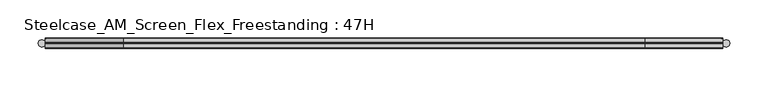
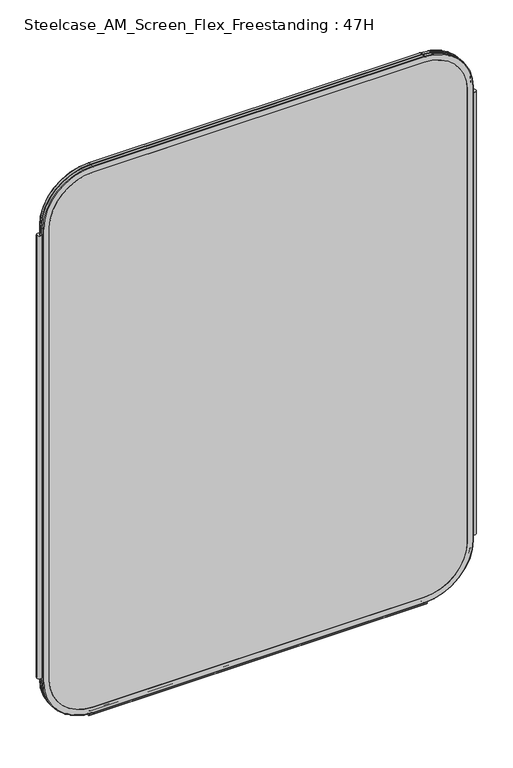
"""IFC4 building model written with IfcOpenShell, lengths in millimetres: furniture geometry, Steelcase_AM_Screen_Flex_Freestanding : 47H."""

from ifc_helpers import new_model, si_unit, point, frame, frame_2d, origin, place, context, project, spatial, polyline, circle_curve, ellipse_curve, trimmed, segment, composite_curve, outline, extrude, source, transform, mapped, element, save
from ifc_brep_helpers import plane_surface, cylinder_surface, revolved_surface, advanced_brep


def steelcase_am_screen_flex_freestanding_47h_c3e81d6d(model_context):
    return source(origin(), model_context, "Body", "SolidModel", [
        extrude(outline(composite_curve([segment(trimmed(circle_curve(frame_2d((4.5307839, 0.0)), 4.572), [point((-0.0412161, 0.0))], [point((9.1027839, 0.0))], False, "CARTESIAN"), True, "CONTINUOUS"), segment(trimmed(circle_curve(frame_2d((4.5307839, 0.0)), 4.572), [point((9.1027839, 0.0))], [point((-0.0412161, 0.0))], False, "CARTESIAN"), True, "CONTINUOUS")], self_intersect=False)), frame((0.0, 0.0, 115.57), z_axis=(0.0, 0.0, 1.0), x_axis=(1.0, 0.0, 0.0)), (0.0, 0.0, 1.0), 962.66),
        extrude(outline(composite_curve([segment(trimmed(circle_curve(frame_2d((898.7749587, 0.0)), 4.572), [point((894.2029587, 0.0))], [point((903.3469587, 0.0))], False, "CARTESIAN"), True, "CONTINUOUS"), segment(trimmed(circle_curve(frame_2d((898.7749587, 0.0)), 4.572), [point((903.3469587, 0.0))], [point((894.2029587, 0.0))], False, "CARTESIAN"), True, "CONTINUOUS")], self_intersect=False)), frame((0.0, 0.0, 115.57), z_axis=(0.0, 0.0, 1.0), x_axis=(1.0, 0.0, 0.0)), (0.0, 0.0, 1.0), 962.66),
        extrude(outline(composite_curve([segment(trimmed(circle_curve(frame_2d((3.5, 2.4751953)), 2.5), [point((3.5, 4.9751953))], [point((1.4656663, 1.0220998))], False, "CARTESIAN"), True, "CONTINUOUS"), segment(trimmed(circle_curve(frame_2d((0.0, -0.0248047)), 1.8011626), [point((1.4656663, 1.0220998))], [point((-1.4656663, 1.0220998))], True, "CARTESIAN"), True, "CONTINUOUS"), segment(trimmed(circle_curve(frame_2d((-3.5, 2.4751953)), 2.5), [point((-1.4656663, 1.0220998))], [point((-3.5, 4.9751953))], False, "CARTESIAN"), True, "CONTINUOUS"), segment(trimmed(circle_curve(frame_2d((-3.5, 4.4751953)), 0.5), [point((-3.5, 4.9751953))], [point((-3.5, 3.9751953))], False, "CARTESIAN"), True, "CONTINUOUS"), segment(trimmed(circle_curve(frame_2d((-3.5, 2.4751953)), 1.5), [point((-3.5, 3.9751953))], [point((-2.3025096, 1.5718589))], True, "CARTESIAN"), True, "CONTINUOUS"), segment(trimmed(circle_curve(frame_2d((-10.3325937, 7.629417)), 10.0586411), [point((-2.3025096, 1.5718589))], [point((-0.714976, 4.6836248))], True, "CARTESIAN"), True, "CONTINUOUS"), segment(trimmed(circle_curve(frame_2d((0.0, 4.4646339)), 0.7477618), [point((-0.714976, 4.6836248))], [point((0.714976, 4.6836248))], False, "CARTESIAN"), True, "CONTINUOUS"), segment(trimmed(circle_curve(frame_2d((10.3325937, 7.629417)), 10.0586411), [point((0.714976, 4.6836248))], [point((2.3025096, 1.5718589))], True, "CARTESIAN"), True, "CONTINUOUS"), segment(trimmed(circle_curve(frame_2d((3.5, 2.4751953)), 1.5), [point((2.3025096, 1.5718589))], [point((3.5, 3.9751953))], True, "CARTESIAN"), True, "CONTINUOUS"), segment(trimmed(circle_curve(frame_2d((3.5, 4.4751953)), 0.5), [point((3.5, 3.9751953))], [point((3.5, 4.9751953))], False, "CARTESIAN"), True, "CONTINUOUS")], self_intersect=False)), frame((104.1640108, 0.0, 0.0), z_axis=(1.0, 0.0, 0.0), x_axis=(0.0, 1.0, 0.0)), (0.0, 0.0, 1.0), 694.9777209),
        advanced_brep(
        [(9.9273521, 0.0, 1092.2), (9.9273521, 0.0, 106.5996464), (110.7653521, 0.0, 5.7616464), (792.5652086, 0.0, 5.7616464), (893.4032086, 0.0, 106.5996464), (893.4032086, 0.0, 1092.2), (792.5652086, 0.0, 1193.038), (110.7653521, 0.0, 1193.038), (792.5652086, 0.0, 17.6996464), (110.7653521, 0.0, 17.6996464), (21.8653521, 0.0, 106.5996464), (21.8653521, 0.0, 1092.2), (110.7653521, 0.0, 1181.1), (792.5652086, 0.0, 1181.1), (881.4652086, 0.0, 1092.2), (881.4652086, 0.0, 106.5996464), (110.7653521, 0.762, 1193.8), (9.1653521, 0.762, 1092.2), (110.7653521, 6.096, 1193.8), (9.1653521, 6.096, 1092.2), (110.7653521, 6.858, 1193.038), (9.9273521, 6.858, 1092.2), (21.8653521, 6.858, 1092.2), (110.7653521, 6.858, 1181.1), (792.5652086, 0.762, 1193.8), (792.5652086, 6.096, 1193.8), (792.5652086, 6.858, 1193.038), (792.5652086, 6.858, 1181.1), (894.1652086, 0.762, 1092.2), (894.1652086, 6.096, 1092.2), (893.4032086, 6.858, 1092.2), (881.4652086, 6.858, 1092.2), (894.1652086, 0.762, 106.5996464), (894.1652086, 6.096, 106.5996464), (893.4032086, 6.858, 106.5996464), (881.4652086, 6.858, 106.5996464), (792.5652086, 0.762, 4.9996464), (792.5652086, 6.096, 4.9996464), (792.5652086, 6.858, 5.7616464), (792.5652086, 6.858, 17.6996464), (110.7653521, 0.762, 4.9996464), (110.7653521, 6.096, 4.9996464), (110.7653521, 6.858, 5.7616464), (110.7653521, 6.858, 17.6996464), (9.1653521, 0.762, 106.5996464), (9.1653521, 6.096, 106.5996464), (9.9273521, 6.858, 106.5996464), (21.8653521, 6.858, 106.5996464)],
        [
            (0, 1),
            (1, 2, circle_curve(frame((110.7653521, 0.0, 106.5996464), z_axis=(0.0, -1.0, 0.0), x_axis=(0.0, 0.0, -1.0)), 100.838)),
            (2, 3),
            (3, 4, circle_curve(frame((792.5652086, 0.0, 106.5996464), z_axis=(0.0, -1.0, 0.0), x_axis=(1.0, 0.0, 0.0)), 100.838)),
            (4, 5),
            (5, 6, circle_curve(frame((792.5652086, 0.0, 1092.2), z_axis=(0.0, -1.0, 0.0), x_axis=(0.0, 0.0, 1.0)), 100.838)),
            (6, 7),
            (7, 0, circle_curve(frame((110.7653521, 0.0, 1092.2), z_axis=(0.0, -1.0, 0.0), x_axis=(-1.0, 0.0, 0.0)), 100.838)),
            (8, 9),
            (9, 10, circle_curve(frame((110.7653521, 0.0, 106.5996464), z_axis=(0.0, 1.0, 0.0), x_axis=(0.0, 0.0, -1.0)), 88.9)),
            (10, 11),
            (11, 12, circle_curve(frame((110.7653521, 0.0, 1092.2), z_axis=(0.0, 1.0, 0.0), x_axis=(-1.0, 0.0, 0.0)), 88.9)),
            (12, 13),
            (13, 14, circle_curve(frame((792.5652086, 0.0, 1092.2), z_axis=(0.0, 1.0, 0.0), x_axis=(0.0, 0.0, 1.0)), 88.9)),
            (14, 15),
            (15, 8, circle_curve(frame((792.5652086, 0.0, 106.5996464), z_axis=(0.0, 1.0, 0.0), x_axis=(1.0, 0.0, 0.0)), 88.9)),
            (16, 17, circle_curve(frame((110.7653521, 0.762, 1092.2), z_axis=(0.0, -1.0, 0.0), x_axis=(-1.0, 0.0, 0.0)), 101.6)),
            (17, 0, circle_curve(frame((9.9273521, 0.762, 1092.2), z_axis=(0.0, 0.0, 1.0), x_axis=(-1.0, 0.0, 0.0)), 0.762)),
            (7, 16, circle_curve(frame((110.7653521, 0.762, 1193.038), z_axis=(-1.0, 0.0, 0.0), x_axis=(0.0, 0.0, 1.0)), 0.762)),
            (18, 19, circle_curve(frame((110.7653521, 6.096, 1092.2), z_axis=(0.0, -1.0, 0.0), x_axis=(-1.0, 0.0, 0.0)), 101.6)),
            (19, 17),
            (16, 18),
            (20, 21, circle_curve(frame((110.7653521, 6.858, 1092.2), z_axis=(0.0, -1.0, 0.0), x_axis=(-1.0, 0.0, 0.0)), 100.838)),
            (21, 19, circle_curve(frame((9.9273521, 6.096, 1092.2), z_axis=(0.0, 0.0, 1.0), x_axis=(-1.0, 0.0, 0.0)), 0.762)),
            (18, 20, circle_curve(frame((110.7653521, 6.096, 1193.038), z_axis=(-1.0, 0.0, 0.0), x_axis=(0.0, 0.0, 1.0)), 0.762)),
            (11, 22),
            (22, 23, circle_curve(frame((110.7653521, 6.858, 1092.2), z_axis=(0.0, 1.0, 0.0), x_axis=(-1.0, 0.0, 0.0)), 88.9)),
            (23, 12),
            (6, 24, circle_curve(frame((792.5652086, 0.762, 1193.038), z_axis=(-1.0, 0.0, 0.0), x_axis=(0.0, 0.0, 1.0)), 0.762)),
            (24, 16),
            (24, 25),
            (25, 18),
            (25, 26, circle_curve(frame((792.5652086, 6.096, 1193.038), z_axis=(-1.0, 0.0, 0.0), x_axis=(0.0, 0.0, 1.0)), 0.762)),
            (26, 20),
            (23, 27),
            (27, 13),
            (28, 24, circle_curve(frame((792.5652086, 0.762, 1092.2), z_axis=(0.0, -1.0, 0.0), x_axis=(0.0, 0.0, 1.0)), 101.6)),
            (5, 28, circle_curve(frame((893.4032086, 0.762, 1092.2), z_axis=(0.0, 0.0, 1.0), x_axis=(1.0, 0.0, 0.0)), 0.762)),
            (29, 25, circle_curve(frame((792.5652086, 6.096, 1092.2), z_axis=(0.0, -1.0, 0.0), x_axis=(0.0, 0.0, 1.0)), 101.6)),
            (28, 29),
            (30, 26, circle_curve(frame((792.5652086, 6.858, 1092.2), z_axis=(0.0, -1.0, 0.0), x_axis=(0.0, 0.0, 1.0)), 100.838)),
            (29, 30, circle_curve(frame((893.4032086, 6.096, 1092.2), z_axis=(0.0, 0.0, 1.0), x_axis=(1.0, 0.0, 0.0)), 0.762)),
            (27, 31, circle_curve(frame((792.5652086, 6.858, 1092.2), z_axis=(0.0, 1.0, 0.0), x_axis=(0.0, 0.0, 1.0)), 88.9)),
            (31, 14),
            (4, 32, circle_curve(frame((893.4032086, 0.762, 106.5996464), z_axis=(0.0, 0.0, 1.0), x_axis=(1.0, 0.0, 0.0)), 0.762)),
            (32, 28),
            (32, 33),
            (33, 29),
            (33, 34, circle_curve(frame((893.4032086, 6.096, 106.5996464), z_axis=(0.0, 0.0, 1.0), x_axis=(1.0, 0.0, 0.0)), 0.762)),
            (34, 30),
            (31, 35),
            (35, 15),
            (36, 32, circle_curve(frame((792.5652086, 0.762, 106.5996464), z_axis=(0.0, -1.0, 0.0), x_axis=(1.0, 0.0, 0.0)), 101.6)),
            (3, 36, circle_curve(frame((792.5652086, 0.762, 5.7616464), z_axis=(1.0, 0.0, 0.0), x_axis=(0.0, 0.0, -1.0)), 0.762)),
            (37, 33, circle_curve(frame((792.5652086, 6.096, 106.5996464), z_axis=(0.0, -1.0, 0.0), x_axis=(1.0, 0.0, 0.0)), 101.6)),
            (36, 37),
            (38, 34, circle_curve(frame((792.5652086, 6.858, 106.5996464), z_axis=(0.0, -1.0, 0.0), x_axis=(1.0, 0.0, 0.0)), 100.838)),
            (37, 38, circle_curve(frame((792.5652086, 6.096, 5.7616464), z_axis=(1.0, 0.0, 0.0), x_axis=(0.0, 0.0, -1.0)), 0.762)),
            (35, 39, circle_curve(frame((792.5652086, 6.858, 106.5996464), z_axis=(0.0, 1.0, 0.0), x_axis=(1.0, 0.0, 0.0)), 88.9)),
            (39, 8),
            (2, 40, circle_curve(frame((110.7653521, 0.762, 5.7616464), z_axis=(1.0, 0.0, 0.0), x_axis=(0.0, 0.0, -1.0)), 0.762)),
            (40, 36),
            (40, 41),
            (41, 37),
            (41, 42, circle_curve(frame((110.7653521, 6.096, 5.7616464), z_axis=(1.0, 0.0, 0.0), x_axis=(0.0, 0.0, -1.0)), 0.762)),
            (42, 38),
            (39, 43),
            (43, 9),
            (44, 40, circle_curve(frame((110.7653521, 0.762, 106.5996464), z_axis=(0.0, -1.0, 0.0), x_axis=(0.0, 0.0, -1.0)), 101.6)),
            (1, 44, circle_curve(frame((9.9273521, 0.762, 106.5996464), z_axis=(0.0, 0.0, -1.0), x_axis=(-1.0, 0.0, 0.0)), 0.762)),
            (45, 41, circle_curve(frame((110.7653521, 6.096, 106.5996464), z_axis=(0.0, -1.0, 0.0), x_axis=(0.0, 0.0, -1.0)), 101.6)),
            (44, 45),
            (46, 42, circle_curve(frame((110.7653521, 6.858, 106.5996464), z_axis=(0.0, -1.0, 0.0), x_axis=(0.0, 0.0, -1.0)), 100.838)),
            (45, 46, circle_curve(frame((9.9273521, 6.096, 106.5996464), z_axis=(0.0, 0.0, -1.0), x_axis=(-1.0, 0.0, 0.0)), 0.762)),
            (43, 47, circle_curve(frame((110.7653521, 6.858, 106.5996464), z_axis=(0.0, 1.0, 0.0), x_axis=(0.0, 0.0, -1.0)), 88.9)),
            (47, 10),
            (17, 44),
            (19, 45),
            (21, 46),
            (22, 47),
        ],
        [
            plane_surface(frame((21.8653521, 0.0, 106.5996464), z_axis=(0.0, -1.0, 0.0), x_axis=(0.0, 0.0, 1.0))),
            revolved_surface(trimmed(ellipse_curve(frame((9.9273521, 0.762, 1092.2), z_axis=(0.0, 0.0, -1.0), x_axis=(-1.0, 0.0, 0.0)), 0.762, 0.762), [point((9.9273521, 0.0, 1092.2))], [point((9.1653521, 0.762, 1092.2))], True, "CARTESIAN"), (110.7653521, 0.0, 1092.2), (0.0, 1.0, 0.0)),
            cylinder_surface(frame((110.7653521, 0.0, 1092.2), z_axis=(0.0, 1.0, 0.0), x_axis=(-1.0, 0.0, 0.0)), 101.6),
            revolved_surface(trimmed(ellipse_curve(frame((9.9273521, 6.096, 1092.2), z_axis=(0.0, 0.0, -1.0), x_axis=(-1.0, 0.0, 0.0)), 0.762, 0.762), [point((9.1653521, 6.096, 1092.2))], [point((9.9273521, 6.858, 1092.2))], True, "CARTESIAN"), (110.7653521, 0.0, 1092.2), (0.0, 1.0, 0.0)),
            revolved_surface(polyline([(21.865352099999996, 6.858, 1092.2), (21.865352099999996, 0.0, 1092.2)]), (110.7653521, 0.0, 1092.2), (0.0, 1.0, 0.0)),
            cylinder_surface(frame((110.7653521, 0.762, 1193.038), z_axis=(-1.0, 0.0, 0.0), x_axis=(0.0, 0.0, 1.0)), 0.762),
            plane_surface(frame((110.7653521, 0.762, 1193.8), z_axis=(0.0, 0.0, 1.0), x_axis=(1.0, 0.0, 0.0))),
            cylinder_surface(frame((110.7653521, 6.096, 1193.038), z_axis=(-1.0, 0.0, 0.0), x_axis=(0.0, 0.0, 1.0)), 0.762),
            plane_surface(frame((110.7653521, 6.858, 1181.1), z_axis=(0.0, 0.0, -1.0), x_axis=(1.0, 0.0, 0.0))),
            revolved_surface(trimmed(ellipse_curve(frame((792.5652086, 0.762, 1193.038), z_axis=(-1.0, 0.0, 0.0), x_axis=(0.0, 0.0, 1.0)), 0.762, 0.762), [point((792.5652086, 0.0, 1193.038))], [point((792.5652086, 0.762, 1193.8))], True, "CARTESIAN"), (792.5652086, 0.0, 1092.2), (0.0, 1.0, 0.0)),
            cylinder_surface(frame((792.5652086, 0.0, 1092.2), z_axis=(0.0, 1.0, 0.0), x_axis=(0.0, 0.0, 1.0)), 101.6),
            revolved_surface(trimmed(ellipse_curve(frame((792.5652086, 6.096, 1193.038), z_axis=(-1.0, 0.0, 0.0), x_axis=(0.0, 0.0, 1.0)), 0.762, 0.762), [point((792.5652086, 6.096, 1193.8))], [point((792.5652086, 6.858, 1193.038))], True, "CARTESIAN"), (792.5652086, 0.0, 1092.2), (0.0, 1.0, 0.0)),
            revolved_surface(polyline([(792.5652086, 6.858, 1181.1000000000001), (792.5652086, 0.0, 1181.1000000000001)]), (792.5652086, 0.0, 1092.2), (0.0, 1.0, 0.0)),
            cylinder_surface(frame((893.4032086, 0.762, 1092.2), z_axis=(0.0, 0.0, 1.0), x_axis=(1.0, 0.0, 0.0)), 0.762),
            plane_surface(frame((894.1652086, 0.762, 1092.2), z_axis=(1.0, 0.0, 0.0), x_axis=(0.0, 0.0, -1.0))),
            cylinder_surface(frame((893.4032086, 6.096, 1092.2), z_axis=(0.0, 0.0, 1.0), x_axis=(1.0, 0.0, 0.0)), 0.762),
            plane_surface(frame((881.4652086, 6.858, 1092.2), z_axis=(-1.0, 0.0, 0.0), x_axis=(0.0, 0.0, -1.0))),
            revolved_surface(trimmed(ellipse_curve(frame((893.4032086, 0.762, 106.5996464), z_axis=(0.0, 0.0, 1.0), x_axis=(1.0, 0.0, 0.0)), 0.762, 0.762), [point((893.4032086, 0.0, 106.5996464))], [point((894.1652086, 0.762, 106.5996464))], True, "CARTESIAN"), (792.5652086, 0.0, 106.5996464), (0.0, 1.0, 0.0)),
            cylinder_surface(frame((792.5652086, 0.0, 106.5996464), z_axis=(0.0, 1.0, 0.0), x_axis=(1.0, 0.0, 0.0)), 101.6),
            revolved_surface(trimmed(ellipse_curve(frame((893.4032086, 6.096, 106.5996464), z_axis=(0.0, 0.0, 1.0), x_axis=(1.0, 0.0, 0.0)), 0.762, 0.762), [point((894.1652086, 6.096, 106.5996464))], [point((893.4032086, 6.858, 106.5996464))], True, "CARTESIAN"), (792.5652086, 0.0, 106.5996464), (0.0, 1.0, 0.0)),
            revolved_surface(polyline([(881.4652086, 6.858, 106.5996464), (881.4652086, 0.0, 106.5996464)]), (792.5652086, 0.0, 106.5996464), (0.0, 1.0, 0.0)),
            cylinder_surface(frame((792.5652086, 0.762, 5.7616464), z_axis=(1.0, 0.0, 0.0), x_axis=(0.0, 0.0, -1.0)), 0.762),
            plane_surface(frame((792.5652086, 0.762, 4.9996464), z_axis=(0.0, 0.0, -1.0), x_axis=(-1.0, 0.0, 0.0))),
            cylinder_surface(frame((792.5652086, 6.096, 5.7616464), z_axis=(1.0, 0.0, 0.0), x_axis=(0.0, 0.0, -1.0)), 0.762),
            plane_surface(frame((792.5652086, 6.858, 17.6996464), z_axis=(0.0, 0.0, 1.0), x_axis=(-1.0, 0.0, 0.0))),
            revolved_surface(trimmed(ellipse_curve(frame((110.7653521, 0.762, 5.7616464), z_axis=(1.0, 0.0, 0.0), x_axis=(0.0, 0.0, -1.0)), 0.762, 0.762), [point((110.7653521, 0.0, 5.7616464))], [point((110.7653521, 0.762, 4.9996464))], True, "CARTESIAN"), (110.7653521, 0.0, 106.5996464), (0.0, 1.0, 0.0)),
            cylinder_surface(frame((110.7653521, 0.0, 106.5996464), z_axis=(0.0, 1.0, 0.0), x_axis=(0.0, 0.0, -1.0)), 101.6),
            revolved_surface(trimmed(ellipse_curve(frame((110.7653521, 6.096, 5.7616464), z_axis=(1.0, 0.0, 0.0), x_axis=(0.0, 0.0, -1.0)), 0.762, 0.762), [point((110.7653521, 6.096, 4.9996464))], [point((110.7653521, 6.858, 5.7616464))], True, "CARTESIAN"), (110.7653521, 0.0, 106.5996464), (0.0, 1.0, 0.0)),
            revolved_surface(polyline([(110.7653521, 6.858, 17.699646399999992), (110.7653521, 0.0, 17.699646399999992)]), (110.7653521, 0.0, 106.5996464), (0.0, 1.0, 0.0)),
            cylinder_surface(frame((9.9273521, 0.762, 106.5996464), z_axis=(0.0, 0.0, -1.0), x_axis=(-1.0, 0.0, 0.0)), 0.762),
            plane_surface(frame((9.1653521, 0.762, 106.5996464), z_axis=(-1.0, 0.0, 0.0), x_axis=(0.0, 0.0, 1.0))),
            cylinder_surface(frame((9.9273521, 6.096, 106.5996464), z_axis=(0.0, 0.0, -1.0), x_axis=(-1.0, 0.0, 0.0)), 0.762),
            plane_surface(frame((9.9273521, 6.858, 106.5996464), z_axis=(0.0, 1.0, 0.0), x_axis=(0.0, 0.0, 1.0))),
            plane_surface(frame((21.8653521, 6.858, 106.5996464), z_axis=(1.0, 0.0, 0.0), x_axis=(0.0, 0.0, 1.0))),
        ],
        [
            (0, [[1, 2, 3, 4, 5, 6, 7, 8], [9, 10, 11, 12, 13, 14, 15, 16]]),
            (1, [[17, 18, -8, 19]]),
            (2, [[20, 21, -17, 22]]),
            (3, [[23, 24, -20, 25]]),
            (4, [[-12, 26, 27, 28]]),
            (5, [[-19, -7, 29, 30]]),
            (6, [[-22, -30, 31, 32]]),
            (7, [[-25, -32, 33, 34]]),
            (8, [[-28, 35, 36, -13]]),
            (9, [[37, -29, -6, 38]]),
            (10, [[39, -31, -37, 40]]),
            (11, [[41, -33, -39, 42]]),
            (12, [[-14, -36, 43, 44]]),
            (13, [[-38, -5, 45, 46]]),
            (14, [[-40, -46, 47, 48]]),
            (15, [[-42, -48, 49, 50]]),
            (16, [[-44, 51, 52, -15]]),
            (17, [[53, -45, -4, 54]]),
            (18, [[55, -47, -53, 56]]),
            (19, [[57, -49, -55, 58]]),
            (20, [[-16, -52, 59, 60]]),
            (21, [[-54, -3, 61, 62]]),
            (22, [[-56, -62, 63, 64]]),
            (23, [[-58, -64, 65, 66]]),
            (24, [[-60, 67, 68, -9]]),
            (25, [[69, -61, -2, 70]]),
            (26, [[71, -63, -69, 72]]),
            (27, [[73, -65, -71, 74]]),
            (28, [[-10, -68, 75, 76]]),
            (29, [[-70, -1, -18, 77]]),
            (30, [[-72, -77, -21, 78]]),
            (31, [[-74, -78, -24, 79]]),
            (32, [[-66, -73, -79, -23, -34, -41, -50, -57], [80, -75, -67, -59, -51, -43, -35, -27]]),
            (33, [[-76, -80, -26, -11]]),
        ],
    ),
        extrude(outline(composite_curve([segment(polyline([(1181.1, 792.5652086), (1181.1, 110.7653521)]), True, "CONTINUOUS"), segment(trimmed(circle_curve(frame_2d((1092.2, 110.7653521)), 88.9), [point((1181.1, 110.7653521))], [point((1092.2, 21.8653521))], False, "CARTESIAN"), True, "CONTINUOUS"), segment(polyline([(1092.2, 21.8653521), (106.5996464, 21.8653521)]), True, "CONTINUOUS"), segment(trimmed(circle_curve(frame_2d((106.5996464, 110.7653521)), 88.9), [point((106.5996464, 21.8653521))], [point((17.6996464, 110.7653521))], False, "CARTESIAN"), True, "CONTINUOUS"), segment(polyline([(17.6996464, 110.7653521), (17.6996464, 792.5652086)]), True, "CONTINUOUS"), segment(trimmed(circle_curve(frame_2d((106.5996464, 792.5652086)), 88.9), [point((17.6996464, 792.5652086))], [point((106.5996464, 881.4652086))], False, "CARTESIAN"), True, "CONTINUOUS"), segment(polyline([(106.5996464, 881.4652086), (1092.2, 881.4652086)]), True, "CONTINUOUS"), segment(trimmed(circle_curve(frame_2d((1092.2, 792.5652086)), 88.9), [point((1092.2, 881.4652086))], [point((1181.1, 792.5652086))], False, "CARTESIAN"), True, "CONTINUOUS")], self_intersect=False)), frame((0.0, 0.0, 0.0), z_axis=(0.0, 1.0, 0.0), x_axis=(0.0, 0.0, 1.0)), (0.0, 0.0, 1.0), 6.858),
        advanced_brep(
        [(110.7653521, -6.858, 1181.1), (21.8653521, -6.858, 1092.2), (21.8653521, 0.0, 1092.2), (110.7653521, 0.0, 1181.1), (110.7653521, -6.096, 1193.8), (9.1653521, -6.096, 1092.2), (9.9273521, -6.858, 1092.2), (110.7653521, -6.858, 1193.038), (110.7653521, -0.762, 1193.8), (9.1653521, -0.762, 1092.2), (110.7653521, 0.0, 1193.038), (9.9273521, 0.0, 1092.2), (792.5652086, 0.0, 1181.1), (792.5652086, -6.858, 1181.1), (792.5652086, -6.858, 1193.038), (792.5652086, -6.096, 1193.8), (792.5652086, -0.762, 1193.8), (792.5652086, 0.0, 1193.038), (881.4652086, -6.858, 1092.2), (881.4652086, 0.0, 1092.2), (894.1652086, -6.096, 1092.2), (893.4032086, -6.858, 1092.2), (894.1652086, -0.762, 1092.2), (893.4032086, 0.0, 1092.2), (881.4652086, 0.0, 106.5996464), (881.4652086, -6.858, 106.5996464), (893.4032086, -6.858, 106.5996464), (894.1652086, -6.096, 106.5996464), (894.1652086, -0.762, 106.5996464), (893.4032086, 0.0, 106.5996464), (792.5652086, -6.858, 17.6996464), (792.5652086, 0.0, 17.6996464), (792.5652086, -6.096, 4.9996464), (792.5652086, -6.858, 5.7616464), (792.5652086, -0.762, 4.9996464), (792.5652086, 0.0, 5.7616464), (110.7653521, 0.0, 17.6996464), (110.7653521, -6.858, 17.6996464), (110.7653521, -6.858, 5.7616464), (110.7653521, -6.096, 4.9996464), (110.7653521, -0.762, 4.9996464), (110.7653521, 0.0, 5.7616464), (21.8653521, -6.858, 106.5996464), (21.8653521, 0.0, 106.5996464), (9.1653521, -6.096, 106.5996464), (9.9273521, -6.858, 106.5996464), (9.1653521, -0.762, 106.5996464), (9.9273521, 0.0, 106.5996464)],
        [
            (0, 1, circle_curve(frame((110.7653521, -6.858, 1092.2), z_axis=(0.0, -1.0, 0.0), x_axis=(-1.0, 0.0, 0.0)), 88.9)),
            (1, 2),
            (2, 3, circle_curve(frame((110.7653521, 0.0, 1092.2), z_axis=(0.0, 1.0, 0.0), x_axis=(-1.0, 0.0, 0.0)), 88.9)),
            (3, 0),
            (4, 5, circle_curve(frame((110.7653521, -6.096, 1092.2), z_axis=(0.0, -1.0, 0.0), x_axis=(-1.0, 0.0, 0.0)), 101.6)),
            (5, 6, circle_curve(frame((9.9273521, -6.096, 1092.2), z_axis=(0.0, 0.0, 1.0), x_axis=(-1.0, 0.0, 0.0)), 0.762)),
            (6, 7, circle_curve(frame((110.7653521, -6.858, 1092.2), z_axis=(0.0, 1.0, 0.0), x_axis=(-1.0, 0.0, 0.0)), 100.838)),
            (7, 4, circle_curve(frame((110.7653521, -6.096, 1193.038), z_axis=(-1.0, 0.0, 0.0), x_axis=(0.0, 0.0, 1.0)), 0.762)),
            (8, 9, circle_curve(frame((110.7653521, -0.762, 1092.2), z_axis=(0.0, -1.0, 0.0), x_axis=(-1.0, 0.0, 0.0)), 101.6)),
            (9, 5),
            (4, 8),
            (10, 11, circle_curve(frame((110.7653521, 0.0, 1092.2), z_axis=(0.0, -1.0, 0.0), x_axis=(-1.0, 0.0, 0.0)), 100.838)),
            (11, 9, circle_curve(frame((9.9273521, -0.762, 1092.2), z_axis=(0.0, 0.0, 1.0), x_axis=(-1.0, 0.0, 0.0)), 0.762)),
            (8, 10, circle_curve(frame((110.7653521, -0.762, 1193.038), z_axis=(-1.0, 0.0, 0.0), x_axis=(0.0, 0.0, 1.0)), 0.762)),
            (3, 12),
            (12, 13),
            (13, 0),
            (7, 14),
            (14, 15, circle_curve(frame((792.5652086, -6.096, 1193.038), z_axis=(-1.0, 0.0, 0.0), x_axis=(0.0, 0.0, 1.0)), 0.762)),
            (15, 4),
            (15, 16),
            (16, 8),
            (16, 17, circle_curve(frame((792.5652086, -0.762, 1193.038), z_axis=(-1.0, 0.0, 0.0), x_axis=(0.0, 0.0, 1.0)), 0.762)),
            (17, 10),
            (18, 13, circle_curve(frame((792.5652086, -6.858, 1092.2), z_axis=(0.0, -1.0, 0.0), x_axis=(0.0, 0.0, 1.0)), 88.9)),
            (12, 19, circle_curve(frame((792.5652086, 0.0, 1092.2), z_axis=(0.0, 1.0, 0.0), x_axis=(0.0, 0.0, 1.0)), 88.9)),
            (19, 18),
            (20, 15, circle_curve(frame((792.5652086, -6.096, 1092.2), z_axis=(0.0, -1.0, 0.0), x_axis=(0.0, 0.0, 1.0)), 101.6)),
            (14, 21, circle_curve(frame((792.5652086, -6.858, 1092.2), z_axis=(0.0, 1.0, 0.0), x_axis=(0.0, 0.0, 1.0)), 100.838)),
            (21, 20, circle_curve(frame((893.4032086, -6.096, 1092.2), z_axis=(0.0, 0.0, 1.0), x_axis=(1.0, 0.0, 0.0)), 0.762)),
            (22, 16, circle_curve(frame((792.5652086, -0.762, 1092.2), z_axis=(0.0, -1.0, 0.0), x_axis=(0.0, 0.0, 1.0)), 101.6)),
            (20, 22),
            (23, 17, circle_curve(frame((792.5652086, 0.0, 1092.2), z_axis=(0.0, -1.0, 0.0), x_axis=(0.0, 0.0, 1.0)), 100.838)),
            (22, 23, circle_curve(frame((893.4032086, -0.762, 1092.2), z_axis=(0.0, 0.0, 1.0), x_axis=(1.0, 0.0, 0.0)), 0.762)),
            (19, 24),
            (24, 25),
            (25, 18),
            (21, 26),
            (26, 27, circle_curve(frame((893.4032086, -6.096, 106.5996464), z_axis=(0.0, 0.0, 1.0), x_axis=(1.0, 0.0, 0.0)), 0.762)),
            (27, 20),
            (27, 28),
            (28, 22),
            (28, 29, circle_curve(frame((893.4032086, -0.762, 106.5996464), z_axis=(0.0, 0.0, 1.0), x_axis=(1.0, 0.0, 0.0)), 0.762)),
            (29, 23),
            (30, 25, circle_curve(frame((792.5652086, -6.858, 106.5996464), z_axis=(0.0, -1.0, 0.0), x_axis=(1.0, 0.0, 0.0)), 88.9)),
            (24, 31, circle_curve(frame((792.5652086, 0.0, 106.5996464), z_axis=(0.0, 1.0, 0.0), x_axis=(1.0, 0.0, 0.0)), 88.9)),
            (31, 30),
            (32, 27, circle_curve(frame((792.5652086, -6.096, 106.5996464), z_axis=(0.0, -1.0, 0.0), x_axis=(1.0, 0.0, 0.0)), 101.6)),
            (26, 33, circle_curve(frame((792.5652086, -6.858, 106.5996464), z_axis=(0.0, 1.0, 0.0), x_axis=(1.0, 0.0, 0.0)), 100.838)),
            (33, 32, circle_curve(frame((792.5652086, -6.096, 5.7616464), z_axis=(1.0, 0.0, 0.0), x_axis=(0.0, 0.0, -1.0)), 0.762)),
            (34, 28, circle_curve(frame((792.5652086, -0.762, 106.5996464), z_axis=(0.0, -1.0, 0.0), x_axis=(1.0, 0.0, 0.0)), 101.6)),
            (32, 34),
            (35, 29, circle_curve(frame((792.5652086, 0.0, 106.5996464), z_axis=(0.0, -1.0, 0.0), x_axis=(1.0, 0.0, 0.0)), 100.838)),
            (34, 35, circle_curve(frame((792.5652086, -0.762, 5.7616464), z_axis=(1.0, 0.0, 0.0), x_axis=(0.0, 0.0, -1.0)), 0.762)),
            (31, 36),
            (36, 37),
            (37, 30),
            (33, 38),
            (38, 39, circle_curve(frame((110.7653521, -6.096, 5.7616464), z_axis=(1.0, 0.0, 0.0), x_axis=(0.0, 0.0, -1.0)), 0.762)),
            (39, 32),
            (39, 40),
            (40, 34),
            (40, 41, circle_curve(frame((110.7653521, -0.762, 5.7616464), z_axis=(1.0, 0.0, 0.0), x_axis=(0.0, 0.0, -1.0)), 0.762)),
            (41, 35),
            (42, 37, circle_curve(frame((110.7653521, -6.858, 106.5996464), z_axis=(0.0, -1.0, 0.0), x_axis=(0.0, 0.0, -1.0)), 88.9)),
            (36, 43, circle_curve(frame((110.7653521, 0.0, 106.5996464), z_axis=(0.0, 1.0, 0.0), x_axis=(0.0, 0.0, -1.0)), 88.9)),
            (43, 42),
            (44, 39, circle_curve(frame((110.7653521, -6.096, 106.5996464), z_axis=(0.0, -1.0, 0.0), x_axis=(0.0, 0.0, -1.0)), 101.6)),
            (38, 45, circle_curve(frame((110.7653521, -6.858, 106.5996464), z_axis=(0.0, 1.0, 0.0), x_axis=(0.0, 0.0, -1.0)), 100.838)),
            (45, 44, circle_curve(frame((9.9273521, -6.096, 106.5996464), z_axis=(0.0, 0.0, -1.0), x_axis=(-1.0, 0.0, 0.0)), 0.762)),
            (46, 40, circle_curve(frame((110.7653521, -0.762, 106.5996464), z_axis=(0.0, -1.0, 0.0), x_axis=(0.0, 0.0, -1.0)), 101.6)),
            (44, 46),
            (47, 41, circle_curve(frame((110.7653521, 0.0, 106.5996464), z_axis=(0.0, -1.0, 0.0), x_axis=(0.0, 0.0, -1.0)), 100.838)),
            (46, 47, circle_curve(frame((9.9273521, -0.762, 106.5996464), z_axis=(0.0, 0.0, -1.0), x_axis=(-1.0, 0.0, 0.0)), 0.762)),
            (43, 2),
            (1, 42),
            (6, 45),
            (5, 44),
            (9, 46),
            (11, 47),
        ],
        [
            revolved_surface(polyline([(21.865352099999996, 0.0, 1092.2), (21.865352099999996, -6.858, 1092.2)]), (110.7653521, 0.0, 1092.2), (0.0, 1.0, 0.0)),
            revolved_surface(trimmed(ellipse_curve(frame((9.9273521, -6.096, 1092.2), z_axis=(0.0, 0.0, -1.0), x_axis=(-1.0, 0.0, 0.0)), 0.762, 0.762), [point((9.9273521, -6.858, 1092.2))], [point((9.1653521, -6.096, 1092.2))], True, "CARTESIAN"), (110.7653521, 0.0, 1092.2), (0.0, 1.0, 0.0)),
            cylinder_surface(frame((110.7653521, 0.0, 1092.2), z_axis=(0.0, 1.0, 0.0), x_axis=(-1.0, 0.0, 0.0)), 101.6),
            revolved_surface(trimmed(ellipse_curve(frame((9.9273521, -0.762, 1092.2), z_axis=(0.0, 0.0, -1.0), x_axis=(-1.0, 0.0, 0.0)), 0.762, 0.762), [point((9.1653521, -0.762, 1092.2))], [point((9.9273521, 0.0, 1092.2))], True, "CARTESIAN"), (110.7653521, 0.0, 1092.2), (0.0, 1.0, 0.0)),
            plane_surface(frame((110.7653521, 0.0, 1181.1), z_axis=(0.0, 0.0, -1.0), x_axis=(1.0, 0.0, 0.0))),
            cylinder_surface(frame((110.7653521, -6.096, 1193.038), z_axis=(-1.0, 0.0, 0.0), x_axis=(0.0, 0.0, 1.0)), 0.762),
            plane_surface(frame((110.7653521, -6.096, 1193.8), z_axis=(0.0, 0.0, 1.0), x_axis=(1.0, 0.0, 0.0))),
            cylinder_surface(frame((110.7653521, -0.762, 1193.038), z_axis=(-1.0, 0.0, 0.0), x_axis=(0.0, 0.0, 1.0)), 0.762),
            revolved_surface(polyline([(792.5652086, 0.0, 1181.1000000000001), (792.5652086, -6.858, 1181.1000000000001)]), (792.5652086, 0.0, 1092.2), (0.0, 1.0, 0.0)),
            revolved_surface(trimmed(ellipse_curve(frame((792.5652086, -6.096, 1193.038), z_axis=(-1.0, 0.0, 0.0), x_axis=(0.0, 0.0, 1.0)), 0.762, 0.762), [point((792.5652086, -6.858, 1193.038))], [point((792.5652086, -6.096, 1193.8))], True, "CARTESIAN"), (792.5652086, 0.0, 1092.2), (0.0, 1.0, 0.0)),
            cylinder_surface(frame((792.5652086, 0.0, 1092.2), z_axis=(0.0, 1.0, 0.0), x_axis=(0.0, 0.0, 1.0)), 101.6),
            revolved_surface(trimmed(ellipse_curve(frame((792.5652086, -0.762, 1193.038), z_axis=(-1.0, 0.0, 0.0), x_axis=(0.0, 0.0, 1.0)), 0.762, 0.762), [point((792.5652086, -0.762, 1193.8))], [point((792.5652086, 0.0, 1193.038))], True, "CARTESIAN"), (792.5652086, 0.0, 1092.2), (0.0, 1.0, 0.0)),
            plane_surface(frame((881.4652086, 0.0, 1092.2), z_axis=(-1.0, 0.0, 0.0), x_axis=(0.0, 0.0, -1.0))),
            cylinder_surface(frame((893.4032086, -6.096, 1092.2), z_axis=(0.0, 0.0, 1.0), x_axis=(1.0, 0.0, 0.0)), 0.762),
            plane_surface(frame((894.1652086, -6.096, 1092.2), z_axis=(1.0, 0.0, 0.0), x_axis=(0.0, 0.0, -1.0))),
            cylinder_surface(frame((893.4032086, -0.762, 1092.2), z_axis=(0.0, 0.0, 1.0), x_axis=(1.0, 0.0, 0.0)), 0.762),
            revolved_surface(polyline([(881.4652086, 0.0, 106.5996464), (881.4652086, -6.858, 106.5996464)]), (792.5652086, 0.0, 106.5996464), (0.0, 1.0, 0.0)),
            revolved_surface(trimmed(ellipse_curve(frame((893.4032086, -6.096, 106.5996464), z_axis=(0.0, 0.0, 1.0), x_axis=(1.0, 0.0, 0.0)), 0.762, 0.762), [point((893.4032086, -6.858, 106.5996464))], [point((894.1652086, -6.096, 106.5996464))], True, "CARTESIAN"), (792.5652086, 0.0, 106.5996464), (0.0, 1.0, 0.0)),
            cylinder_surface(frame((792.5652086, 0.0, 106.5996464), z_axis=(0.0, 1.0, 0.0), x_axis=(1.0, 0.0, 0.0)), 101.6),
            revolved_surface(trimmed(ellipse_curve(frame((893.4032086, -0.762, 106.5996464), z_axis=(0.0, 0.0, 1.0), x_axis=(1.0, 0.0, 0.0)), 0.762, 0.762), [point((894.1652086, -0.762, 106.5996464))], [point((893.4032086, 0.0, 106.5996464))], True, "CARTESIAN"), (792.5652086, 0.0, 106.5996464), (0.0, 1.0, 0.0)),
            plane_surface(frame((792.5652086, 0.0, 17.6996464), z_axis=(0.0, 0.0, 1.0), x_axis=(-1.0, 0.0, 0.0))),
            cylinder_surface(frame((792.5652086, -6.096, 5.7616464), z_axis=(1.0, 0.0, 0.0), x_axis=(0.0, 0.0, -1.0)), 0.762),
            plane_surface(frame((792.5652086, -6.096, 4.9996464), z_axis=(0.0, 0.0, -1.0), x_axis=(-1.0, 0.0, 0.0))),
            cylinder_surface(frame((792.5652086, -0.762, 5.7616464), z_axis=(1.0, 0.0, 0.0), x_axis=(0.0, 0.0, -1.0)), 0.762),
            revolved_surface(polyline([(110.7653521, 0.0, 17.699646399999992), (110.7653521, -6.858, 17.699646399999992)]), (110.7653521, 0.0, 106.5996464), (0.0, 1.0, 0.0)),
            revolved_surface(trimmed(ellipse_curve(frame((110.7653521, -6.096, 5.7616464), z_axis=(1.0, 0.0, 0.0), x_axis=(0.0, 0.0, -1.0)), 0.762, 0.762), [point((110.7653521, -6.858, 5.7616464))], [point((110.7653521, -6.096, 4.9996464))], True, "CARTESIAN"), (110.7653521, 0.0, 106.5996464), (0.0, 1.0, 0.0)),
            cylinder_surface(frame((110.7653521, 0.0, 106.5996464), z_axis=(0.0, 1.0, 0.0), x_axis=(0.0, 0.0, -1.0)), 101.6),
            revolved_surface(trimmed(ellipse_curve(frame((110.7653521, -0.762, 5.7616464), z_axis=(1.0, 0.0, 0.0), x_axis=(0.0, 0.0, -1.0)), 0.762, 0.762), [point((110.7653521, -0.762, 4.9996464))], [point((110.7653521, 0.0, 5.7616464))], True, "CARTESIAN"), (110.7653521, 0.0, 106.5996464), (0.0, 1.0, 0.0)),
            plane_surface(frame((21.8653521, 0.0, 106.5996464), z_axis=(1.0, 0.0, 0.0), x_axis=(0.0, 0.0, 1.0))),
            plane_surface(frame((21.8653521, -6.858, 106.5996464), z_axis=(0.0, -1.0, 0.0), x_axis=(0.0, 0.0, 1.0))),
            cylinder_surface(frame((9.9273521, -6.096, 106.5996464), z_axis=(0.0, 0.0, -1.0), x_axis=(-1.0, 0.0, 0.0)), 0.762),
            plane_surface(frame((9.1653521, -6.096, 106.5996464), z_axis=(-1.0, 0.0, 0.0), x_axis=(0.0, 0.0, 1.0))),
            cylinder_surface(frame((9.9273521, -0.762, 106.5996464), z_axis=(0.0, 0.0, -1.0), x_axis=(-1.0, 0.0, 0.0)), 0.762),
            plane_surface(frame((9.9273521, 0.0, 106.5996464), z_axis=(0.0, 1.0, 0.0), x_axis=(0.0, 0.0, 1.0))),
        ],
        [
            (0, [[1, 2, 3, 4]]),
            (1, [[5, 6, 7, 8]]),
            (2, [[9, 10, -5, 11]]),
            (3, [[12, 13, -9, 14]]),
            (4, [[-4, 15, 16, 17]]),
            (5, [[-8, 18, 19, 20]]),
            (6, [[-11, -20, 21, 22]]),
            (7, [[-14, -22, 23, 24]]),
            (8, [[25, -16, 26, 27]]),
            (9, [[28, -19, 29, 30]]),
            (10, [[31, -21, -28, 32]]),
            (11, [[33, -23, -31, 34]]),
            (12, [[-27, 35, 36, 37]]),
            (13, [[-30, 38, 39, 40]]),
            (14, [[-32, -40, 41, 42]]),
            (15, [[-34, -42, 43, 44]]),
            (16, [[45, -36, 46, 47]]),
            (17, [[48, -39, 49, 50]]),
            (18, [[51, -41, -48, 52]]),
            (19, [[53, -43, -51, 54]]),
            (20, [[-47, 55, 56, 57]]),
            (21, [[-50, 58, 59, 60]]),
            (22, [[-52, -60, 61, 62]]),
            (23, [[-54, -62, 63, 64]]),
            (24, [[65, -56, 66, 67]]),
            (25, [[68, -59, 69, 70]]),
            (26, [[71, -61, -68, 72]]),
            (27, [[73, -63, -71, 74]]),
            (28, [[-67, 75, -2, 76]]),
            (29, [[77, -69, -58, -49, -38, -29, -18, -7], [-57, -65, -76, -1, -17, -25, -37, -45]]),
            (30, [[-70, -77, -6, 78]]),
            (31, [[-72, -78, -10, 79]]),
            (32, [[-74, -79, -13, 80]]),
            (33, [[-64, -73, -80, -12, -24, -33, -44, -53], [-75, -66, -55, -46, -35, -26, -15, -3]]),
        ],
    ),
        extrude(outline(composite_curve([segment(polyline([(1181.1, 792.5652086), (1181.1, 110.7653521)]), True, "CONTINUOUS"), segment(trimmed(circle_curve(frame_2d((1092.2, 110.7653521)), 88.9), [point((1181.1, 110.7653521))], [point((1092.2, 21.8653521))], False, "CARTESIAN"), True, "CONTINUOUS"), segment(polyline([(1092.2, 21.8653521), (106.5996464, 21.8653521)]), True, "CONTINUOUS"), segment(trimmed(circle_curve(frame_2d((106.5996464, 110.7653521)), 88.9), [point((106.5996464, 21.8653521))], [point((17.6996464, 110.7653521))], False, "CARTESIAN"), True, "CONTINUOUS"), segment(polyline([(17.6996464, 110.7653521), (17.6996464, 792.5652086)]), True, "CONTINUOUS"), segment(trimmed(circle_curve(frame_2d((106.5996464, 792.5652086)), 88.9), [point((17.6996464, 792.5652086))], [point((106.5996464, 881.4652086))], False, "CARTESIAN"), True, "CONTINUOUS"), segment(polyline([(106.5996464, 881.4652086), (1092.2, 881.4652086)]), True, "CONTINUOUS"), segment(trimmed(circle_curve(frame_2d((1092.2, 792.5652086)), 88.9), [point((1092.2, 881.4652086))], [point((1181.1, 792.5652086))], False, "CARTESIAN"), True, "CONTINUOUS")], self_intersect=False)), frame((0.0, -6.858, 0.0), z_axis=(0.0, 1.0, 0.0), x_axis=(0.0, 0.0, 1.0)), (0.0, 0.0, 1.0), 6.858),
    ])


if __name__ == "__main__":
    model = new_model("IFC4")
    model_context = context("Model", 3, world=origin())
    ifc_project = project(units=[si_unit("LENGTHUNIT", "METRE", prefix="MILLI")], contexts=[model_context])
    site = spatial("IfcSite", under=ifc_project)
    building = spatial("IfcBuilding", under=site)
    placement = place(None, origin())
    steelcase_am_screen_flex_freestanding_47h_shape = steelcase_am_screen_flex_freestanding_47h_c3e81d6d(model_context)
    element("IfcFurniture", 1, ObjectType="Steelcase_AM_Screen_Flex_Freestanding : 47H", at=placement, inside=building, context=model_context, shape_type="MappedRepresentation", body=[
        mapped(steelcase_am_screen_flex_freestanding_47h_shape, transform((0.0, 0.0, 0.0), x_axis=(1.0, 0.0, 0.0), y_axis=(0.0, 1.0, 0.0), z_axis=(0.0, 0.0, 1.0))),
    ])
    save(model, "model.ifc")
